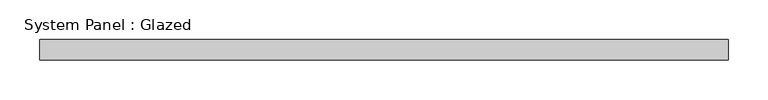
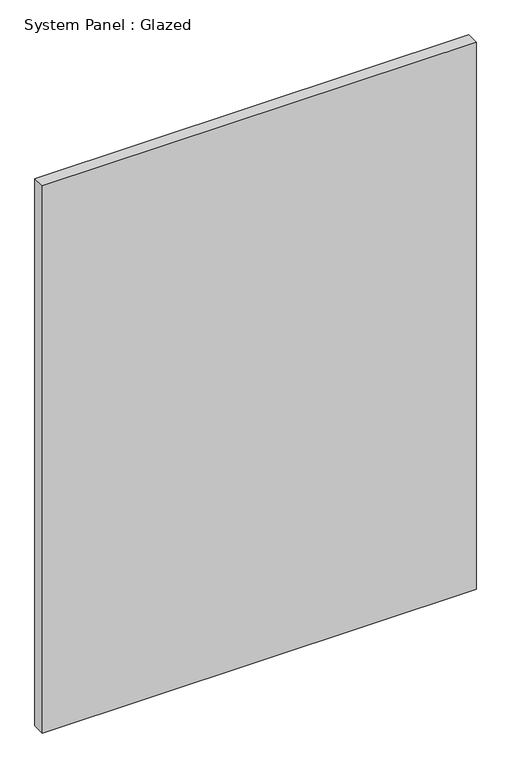
"""IFC4 building model written with IfcOpenShell, lengths in millimetres: plate geometry, System Panel : Glazed."""

import ifcopenshell
import ifcopenshell.guid

model = None  # the IFC model being written
_history = None  # IfcOwnerHistory: only IFC2X3 demands one
_inside = {}  # id of a spatial element -> (the spatial element, [elements in it])
_under = {}  # id of a project, library or spatial element -> (it, [spatial elements below it])
_declared = {}  # id of a project -> (the project, [libraries it declares])
_typed = {}  # id of a type object -> (the type object, [elements of that type])
_made_of = {}  # id of a material, layer set ... -> (it, [elements and type objects made of it])


def new_model(schema):
    """Start an empty IFC model of exactly this schema.

    Asked for "IFC4X3", IfcOpenShell would pick the latest addendum, in which some entities
    have other attributes; the version numbers below select the first issue.
    IFC2X3 requires an IfcOwnerHistory on every rooted entity: one is made here for all.
    """
    global model, _history
    if schema == "IFC4X3":
        model = ifcopenshell.file(schema_version=(4, 3, 0, 0))
    else:
        model = ifcopenshell.file(schema=schema)
    _inside.clear()
    _under.clear()
    _declared.clear()
    _typed.clear()
    _made_of.clear()
    _history = None
    if model.schema == "IFC2X3":
        org = make("IfcOrganization", Name="unknown")
        user = make(
            "IfcPersonAndOrganization",
            ThePerson=make("IfcPerson", FamilyName="unknown"),
            TheOrganization=org,
        )
        app = make(
            "IfcApplication",
            ApplicationDeveloper=org,
            Version="unknown",
            ApplicationFullName="unknown",
            ApplicationIdentifier="unknown",
        )
        _history = make(
            "IfcOwnerHistory",
            OwningUser=user,
            OwningApplication=app,
            ChangeAction="ADDED",
            CreationDate=0,
        )
    return model


def make(cls, **values):
    """One entity of the class cls with the attributes given. An attribute that is None is left unset."""
    return model.create_entity(
        cls, **{name: value for name, value in values.items() if value is not None}
    )


def rooted(cls, **values):
    """An entity with a GlobalId (a new one), such as an element, a storey or a relation."""
    return make(cls, GlobalId=ifcopenshell.guid.new(), OwnerHistory=_history, **values)


def si_unit(unit_type, name, prefix=None):
    """IfcSIUnit, for example si_unit("LENGTHUNIT", "METRE", prefix="MILLI")."""
    return make("IfcSIUnit", UnitType=unit_type, Prefix=prefix, Name=name)


def assignment(units):
    """IfcUnitAssignment: the units of a project."""
    return None if units is None else make("IfcUnitAssignment", Units=units)


def point(xyz):
    """IfcCartesianPoint."""
    return None if xyz is None else make("IfcCartesianPoint", Coordinates=xyz)


def direction(xyz):
    """IfcDirection."""
    return None if xyz is None else make("IfcDirection", DirectionRatios=xyz)


def frame(location, z_axis=None, x_axis=None):
    """IfcAxis2Placement3D, a coordinate frame: its origin and axes. An axis left out is left unset."""
    return make(
        "IfcAxis2Placement3D",
        Location=point(location),
        Axis=direction(z_axis),
        RefDirection=direction(x_axis),
    )


def origin():
    """The frame at (0, 0, 0) with its axes left unset."""
    return frame((0.0, 0.0, 0.0))


def origin_with_axes():
    """The frame at (0, 0, 0) with the z axis (0, 0, 1) and the x axis (1, 0, 0) written out."""
    return frame((0.0, 0.0, 0.0), z_axis=(0.0, 0.0, 1.0), x_axis=(1.0, 0.0, 0.0))


def place(relative_to, where):
    """IfcLocalPlacement: puts the frame where relative to a parent placement (None: the world)."""
    return make(
        "IfcLocalPlacement", PlacementRelTo=relative_to, RelativePlacement=where
    )


def context(
    kind, dimensions, precision=None, world=None, true_north=None, identifier=None
):
    """IfcGeometricRepresentationContext, for example the 3D "Model" context."""
    return make(
        "IfcGeometricRepresentationContext",
        ContextIdentifier=identifier,
        ContextType=kind,
        CoordinateSpaceDimension=dimensions,
        Precision=precision,
        WorldCoordinateSystem=world,
        TrueNorth=true_north,
    )


def project(units=None, contexts=None):
    """IfcProject with its units and contexts."""
    return rooted(
        "IfcProject",
        Name="project",
        RepresentationContexts=contexts,
        UnitsInContext=assignment(units),
    )


def spatial(cls, under=None, at=None, **own):
    """A site, building, storey or space (cls), placed at a placement, below another one or the project."""
    s = rooted(cls, ObjectPlacement=at, **own)
    if under is not None:
        _under.setdefault(under.id(), (under, []))[1].append(s)
    return s


def polyline(points):
    """IfcPolyline through the points."""
    return make("IfcPolyline", Points=[point(p) for p in points])


def outline(outer, holes=None, kind="AREA"):
    """IfcArbitraryClosedProfileDef: a profile drawn as a closed curve; with holes, ...WithVoids."""
    if holes is None:
        return make("IfcArbitraryClosedProfileDef", ProfileType=kind, OuterCurve=outer)
    return make(
        "IfcArbitraryProfileDefWithVoids",
        ProfileType=kind,
        OuterCurve=outer,
        InnerCurves=holes,
    )


def extrude(swept, where, along, depth):
    """IfcExtrudedAreaSolid: the profile swept, set in the frame where, extruded along a direction by depth."""
    return make(
        "IfcExtrudedAreaSolid",
        SweptArea=swept,
        Position=where,
        ExtrudedDirection=direction(along),
        Depth=depth,
    )


def shape(context_of_items, identifier, shape_type, items):
    """IfcShapeRepresentation: the items that make up one representation, for example the "Body"."""
    return make(
        "IfcShapeRepresentation",
        ContextOfItems=context_of_items,
        RepresentationIdentifier=identifier,
        RepresentationType=shape_type,
        Items=items,
    )


def source(mapping_origin, context_of_items, identifier, shape_type, items):
    """IfcRepresentationMap: a shape defined once, which mapped items show again and again."""
    return make(
        "IfcRepresentationMap",
        MappingOrigin=mapping_origin,
        MappedRepresentation=shape(context_of_items, identifier, shape_type, items),
    )


def transform(
    local_origin,
    x_axis=None,
    y_axis=None,
    z_axis=None,
    scale=None,
    scale2=None,
    scale3=None,
    uniform=True,
):
    """IfcCartesianTransformationOperator3D, or its non-uniform kind. x_axis, y_axis, z_axis: its Axis1, 2, 3."""
    if uniform:
        return make(
            "IfcCartesianTransformationOperator3D",
            Axis1=direction(x_axis),
            Axis2=direction(y_axis),
            LocalOrigin=point(local_origin),
            Scale=scale,
            Axis3=direction(z_axis),
        )
    return make(
        "IfcCartesianTransformationOperator3DnonUniform",
        Axis1=direction(x_axis),
        Axis2=direction(y_axis),
        LocalOrigin=point(local_origin),
        Scale=scale,
        Axis3=direction(z_axis),
        Scale2=scale2,
        Scale3=scale3,
    )


def mapped(mapping_source, mapping_target):
    """IfcMappedItem: shows the shape of a source again, moved by a transform."""
    return make(
        "IfcMappedItem", MappingSource=mapping_source, MappingTarget=mapping_target
    )


def made_of(thing, what):
    """Note that an element or type object is made of a material, layer set ...; save() writes the relation."""
    if what is not None:
        _made_of.setdefault(what.id(), (what, []))[1].append(thing)
    return thing


def element(
    cls,
    number,
    at=None,
    inside=None,
    cuts=None,
    type_object=None,
    material=None,
    context=None,
    identifier="Body",
    shape_type=None,
    held_by="IfcProductDefinitionShape",
    body=None,
    shapes=None,
    **own,
):
    """One element of the class cls, such as IfcWall. Its Tag is "e" and its number.

    at: its placement. inside: the storey or other place that contains it. cuts: it is an
    opening in that element (IfcRelVoidsElement). A single representation is given by context,
    identifier, shape_type and body (its items); several are given by shapes. held_by: the class
    of the entity that holds the representations. save() writes the other relations.
    """
    e = rooted(cls, Tag="e%d" % number, ObjectPlacement=at, **own)
    if body is not None:
        shapes = [shape(context, identifier, shape_type, body)]
    if shapes is not None:
        e.Representation = make(held_by, Representations=shapes)
    if inside is not None:
        _inside.setdefault(inside.id(), (inside, []))[1].append(e)
    if cuts is not None:
        rooted(
            "IfcRelVoidsElement", RelatingBuildingElement=cuts, RelatedOpeningElement=e
        )
    if type_object is not None:
        _typed.setdefault(type_object.id(), (type_object, []))[1].append(e)
    return made_of(e, material)


def aggregate(whole, parts):
    """IfcRelAggregates: a whole, such as a stair, and the parts it consists of."""
    return rooted("IfcRelAggregates", RelatingObject=whole, RelatedObjects=parts)


def save(model, path):
    """Write the relations noted so far, then the file.

    IfcRelAggregates (storeys below a building ...), IfcRelContainedInSpatialStructure (elements
    in a storey), IfcRelDefinesByType, IfcRelAssociatesMaterial and IfcRelDeclares: one each for
    every whole, place, type object, material and project.
    """
    for whole, parts in _under.values():
        aggregate(whole, parts)
    for where, things in _inside.values():
        rooted(
            "IfcRelContainedInSpatialStructure",
            RelatedElements=things,
            RelatingStructure=where,
        )
    for kind, things in _typed.values():
        rooted("IfcRelDefinesByType", RelatedObjects=things, RelatingType=kind)
    for what, things in _made_of.values():
        rooted("IfcRelAssociatesMaterial", RelatedObjects=things, RelatingMaterial=what)
    for by, libraries in _declared.values():
        rooted("IfcRelDeclares", RelatingContext=by, RelatedDefinitions=libraries)
    model.write(path)


def system_panel_glazed_cca63c25(model_context):
    return source(origin(), model_context, "Body", "SweptSolid", [
        extrude(outline(polyline([(430.2232701, -12.7), (-430.2232701, -12.7), (-430.2232701, 12.7), (430.2232701, 12.7), (430.2232701, -12.7)])), origin_with_axes(), (0.0, 0.0, 1.0), 1147.7752),
    ])


if __name__ == "__main__":
    model = new_model("IFC4")
    model_context = context("Model", 3, world=origin())
    ifc_project = project(units=[si_unit("LENGTHUNIT", "METRE", prefix="MILLI")], contexts=[model_context])
    site = spatial("IfcSite", under=ifc_project)
    building = spatial("IfcBuilding", under=site)
    placement = place(None, origin())
    system_panel_glazed_shape = system_panel_glazed_cca63c25(model_context)
    element("IfcPlate", 1, ObjectType="System Panel : Glazed", at=placement, inside=building, context=model_context, shape_type="MappedRepresentation", body=[
        mapped(system_panel_glazed_shape, transform((0.0, 0.0, 0.0), x_axis=(1.0, 0.0, 0.0), y_axis=(0.0, 1.0, 0.0), z_axis=(0.0, 0.0, 1.0))),
    ])
    save(model, "model.ifc")
